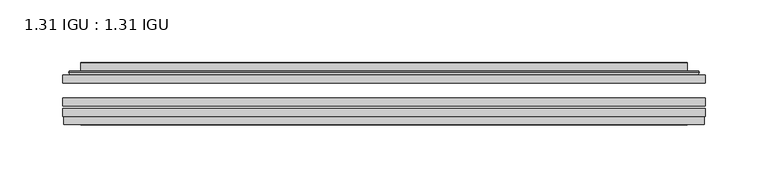
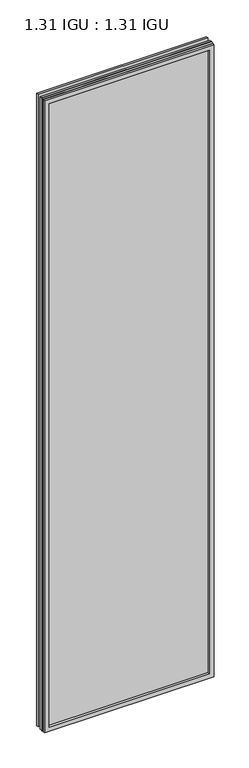
"""IFC4 building model written with IfcOpenShell, lengths in millimetres: plate geometry, 1.31 IGU : 1.31 IGU."""

from ifc_helpers import new_model, si_unit, frame, origin, place, context, project, spatial, polyline, ellipse_curve, outline, extrude, faceted_brep, source, transform, mapped, element, save
from ifc_brep_helpers import plane_surface, cylinder_surface, advanced_brep


def plate_1_31_igu_1_31_igu_82ba9584(model_context):
    return source(origin(), model_context, "Body", "SolidModel", [
        extrude(outline(polyline([(255.601675, -63.59525), (255.601675, -69.94525), (-255.5875, -69.94525), (-255.5875, -63.59525), (255.601675, -63.59525)])), frame((0.0, 0.0, -14.2875), z_axis=(0.0, 0.0, 1.0), x_axis=(1.0, 0.0, 0.0)), (0.0, 0.0, 1.0), 2009.8015278),
        extrude(outline(polyline([(-255.5875, -78.58125), (-255.5875, -72.230745), (255.601675, -72.230745), (255.601675, -78.58125), (-255.5875, -78.58125)])), frame((0.0, 0.0, -14.2875), z_axis=(0.0, 0.0, 1.0), x_axis=(1.0, 0.0, 0.0)), (0.0, 0.0, 1.0), 2009.8015278),
        extrude(outline(polyline([(255.601675, -45.25645), (255.601675, -51.60645), (-255.5875, -51.60645), (-255.5875, -45.25645), (255.601675, -45.25645)])), frame((0.0, 0.0, -14.2875), z_axis=(0.0, 0.0, 1.0), x_axis=(1.0, 0.0, 0.0)), (0.0, 0.0, 1.0), 2009.8015278),
        faceted_brep([(-254.8873142, -84.93125, 1994.8100441), (-254.8873142, -78.58125, 1994.8100441), (-254.8873142, -78.58125, -13.5873142), (-254.8873142, -84.93125, -13.5873142), (254.8873142, -78.58125, -13.5873142), (254.8873142, -84.93125, -13.5873142), (254.8873142, -78.58125, 1994.8100441), (254.8873142, -84.93125, 1994.8100441), (-240.4022559, -78.58125, 0.8977441), (240.4022559, -78.58125, 0.8977441), (240.4022559, -78.58125, 1980.3249858), (-240.4022559, -78.58125, 1980.3249858), (-241.2946902, -84.93125, 1981.2174201), (241.2946902, -84.93125, 1981.2174201), (241.2946902, -84.93125, 0.0053098), (-241.2946902, -84.93125, 0.0053098)], [[[0, 1, 2, 3]], [[3, 2, 4, 5]], [[5, 4, 6, 7]], [[1, 6, 4, 2], [8, 9, 10, 11]], [[7, 6, 1, 0]], [[3, 5, 7, 0], [12, 13, 14, 15]], [[11, 12, 15, 8]], [[8, 15, 14, 9]], [[9, 14, 13, 10]], [[10, 13, 12, 11]]]),
        advanced_brep(
        [(-248.346219, -45.25645, 1988.2689489), (-250.7004244, -43.2667833, 1990.6231543), (-250.7004244, -43.2667833, -9.4004244), (-248.346219, -45.25645, -7.046219), (-239.2718939, -41.416413, 1979.1946238), (-234.3370621, -45.25645, 1974.2597919), (-234.3370621, -45.25645, 6.9629379), (-239.2718939, -41.416413, 2.0281061), (-240.3039217, -36.0191819, 1980.2266515), (-240.3039217, -36.0191819, 0.9960783), (-241.2945784, -35.6202069, 1981.2173083), (-241.2945784, -35.6202069, 0.0054216), (-241.2945784, -42.08145, 1981.2173083), (-241.2945784, -42.08145, 0.0054216), (-249.6986349, -42.08145, 1989.6213648), (-249.6986349, -42.08145, -8.3986349), (250.7004244, -43.2667833, -9.4004244), (248.346219, -45.25645, -7.046219), (234.3370621, -45.25645, 6.9629379), (239.2718939, -41.416413, 2.0281061), (240.3039217, -36.0191819, 0.9960783), (241.2945784, -35.6202069, 0.0054216), (241.2945784, -42.08145, 0.0054216), (249.6986349, -42.08145, -8.3986349), (250.7004244, -43.2667833, 1990.6231543), (248.346219, -45.25645, 1988.2689489), (234.3370621, -45.25645, 1974.2597919), (239.2718939, -41.416413, 1979.1946238), (240.3039217, -36.0191819, 1980.2266515), (241.2945784, -35.6202069, 1981.2173083), (241.2945784, -42.08145, 1981.2173083), (249.6986349, -42.08145, 1989.6213648)],
        [
            (0, 1, ellipse_curve(frame((-248.346219, -42.86885, 1988.2689489), z_axis=(-0.7071067811865475, 0.0, -0.7071067811865475), x_axis=(-0.7071067811865474, 0.0, 0.7071067811865476)), 3.3765763, 2.3876)),
            (1, 2),
            (2, 3, ellipse_curve(frame((-248.346219, -42.86885, -7.046219), z_axis=(-0.7071067811865475, 0.0, 0.7071067811865475), x_axis=(0.7071067811865474, 0.0, 0.7071067811865476)), 3.3765763, 2.3876)),
            (3, 0),
            (4, 5),
            (5, 6),
            (6, 7),
            (7, 4),
            (8, 4),
            (7, 9),
            (9, 8),
            (10, 8, ellipse_curve(frame((-240.9276219, -36.1384423, 1980.8503517), z_axis=(-0.7071067811865475, 0.0, -0.7071067811865475), x_axis=(-0.7071067811865474, 0.0, 0.7071067811865476)), 0.8980256, 0.635)),
            (9, 11, ellipse_curve(frame((-240.9276219, -36.1384423, 0.3723781), z_axis=(-0.7071067811865475, 0.0, 0.7071067811865475), x_axis=(0.7071067811865474, 0.0, 0.7071067811865476)), 0.8980256, 0.635)),
            (11, 10),
            (12, 10),
            (11, 13),
            (13, 12),
            (1, 14, ellipse_curve(frame((-249.6986349, -43.09745, 1989.6213648), z_axis=(-0.7071067811865475, 0.0, -0.7071067811865475), x_axis=(-0.7071067811865474, 0.0, 0.7071067811865476)), 1.436841, 1.016)),
            (14, 15),
            (15, 2, ellipse_curve(frame((-249.6986349, -43.09745, -8.3986349), z_axis=(-0.7071067811865475, 0.0, 0.7071067811865475), x_axis=(0.7071067811865474, 0.0, 0.7071067811865476)), 1.436841, 1.016)),
            (2, 16),
            (16, 17, ellipse_curve(frame((248.346219, -42.86885, -7.046219), z_axis=(-0.7071067811865475, 0.0, -0.7071067811865475), x_axis=(-0.7071067811865476, 0.0, 0.7071067811865474)), 3.3765763, 2.3876)),
            (17, 3),
            (6, 18),
            (18, 19),
            (19, 7),
            (19, 20),
            (20, 9),
            (20, 21, ellipse_curve(frame((240.9276219, -36.1384423, 0.3723781), z_axis=(-0.7071067811865475, 0.0, -0.7071067811865475), x_axis=(-0.7071067811865476, 0.0, 0.7071067811865474)), 0.8980256, 0.635)),
            (21, 11),
            (21, 22),
            (22, 13),
            (15, 23),
            (23, 16, ellipse_curve(frame((249.6986349, -43.09745, -8.3986349), z_axis=(-0.7071067811865475, 0.0, -0.7071067811865475), x_axis=(-0.7071067811865476, 0.0, 0.7071067811865474)), 1.436841, 1.016)),
            (16, 24),
            (24, 25, ellipse_curve(frame((248.346219, -42.86885, 1988.2689489), z_axis=(0.7071067811865475, 0.0, -0.7071067811865475), x_axis=(-0.7071067811865474, 0.0, -0.7071067811865476)), 3.3765763, 2.3876)),
            (25, 17),
            (18, 26),
            (26, 27),
            (27, 19),
            (27, 28),
            (28, 20),
            (28, 29, ellipse_curve(frame((240.9276219, -36.1384423, 1980.8503517), z_axis=(0.7071067811865475, 0.0, -0.7071067811865475), x_axis=(-0.7071067811865474, 0.0, -0.7071067811865476)), 0.8980256, 0.635)),
            (29, 21),
            (29, 30),
            (30, 22),
            (23, 31),
            (31, 24, ellipse_curve(frame((249.6986349, -43.09745, 1989.6213648), z_axis=(0.7071067811865475, 0.0, -0.7071067811865475), x_axis=(-0.7071067811865474, 0.0, -0.7071067811865476)), 1.436841, 1.016)),
            (24, 1),
            (0, 25),
            (5, 26),
            (4, 27),
            (8, 28),
            (10, 29),
            (12, 30),
            (14, 31),
        ],
        [
            cylinder_surface(frame((-248.346219, -42.86885, 2012.9727299), z_axis=(0.0, 0.0, 1.0), x_axis=(-1.0, 0.0, 0.0)), 2.3876),
            plane_surface(frame((-234.3370621, -45.25645, 1974.2597919), z_axis=(0.6141233906514794, 0.7892100234124821, 0.0), x_axis=(0.0, 0.0, -1.0))),
            plane_surface(frame((-239.2718939, -41.416413, 1979.1946238), z_axis=(0.9822050625507729, 0.18781164793386076, 0.0), x_axis=(0.0, 0.0, -1.0))),
            cylinder_surface(frame((-240.9276219, -36.1384423, 2012.9727299), z_axis=(0.0, 0.0, 1.0), x_axis=(-1.0, 0.0, 0.0)), 0.635),
            plane_surface(frame((-241.2945784, -35.6202069, 1981.2173083), z_axis=(-1.0, 0.0, 0.0), x_axis=(0.0, 0.0, -1.0))),
            cylinder_surface(frame((-249.6986349, -43.09745, 2012.9727299), z_axis=(0.0, 0.0, 1.0), x_axis=(-1.0, 0.0, 0.0)), 1.016),
            cylinder_surface(frame((-273.05, -42.86885, -7.046219), z_axis=(-1.0, 0.0, 0.0), x_axis=(0.0, 0.0, -1.0)), 2.3876),
            plane_surface(frame((-234.3370621, -45.25645, 6.9629379), z_axis=(0.0, 0.7892100234124841, 0.6141233906514768), x_axis=(1.0, 0.0, 0.0))),
            plane_surface(frame((-239.2718939, -41.416413, 2.0281061), z_axis=(0.0, 0.18781164793386393, 0.9822050625507723), x_axis=(1.0, 0.0, 0.0))),
            cylinder_surface(frame((-273.05, -36.1384423, 0.3723781), z_axis=(-1.0, 0.0, 0.0), x_axis=(0.0, 0.0, -1.0)), 0.635),
            plane_surface(frame((-241.2945784, -35.6202069, 0.0054216), z_axis=(0.0, 0.0, -1.0), x_axis=(1.0, 0.0, 0.0))),
            cylinder_surface(frame((-273.05, -43.09745, -8.3986349), z_axis=(-1.0, 0.0, 0.0), x_axis=(0.0, 0.0, -1.0)), 1.016),
            cylinder_surface(frame((248.346219, -42.86885, -31.75), z_axis=(0.0, 0.0, -1.0), x_axis=(1.0, 0.0, 0.0)), 2.3876),
            plane_surface(frame((234.3370621, -45.25645, 6.9629379), z_axis=(-0.6141233906514743, 0.7892100234124861, 0.0), x_axis=(0.0, 0.0, 1.0))),
            plane_surface(frame((239.2718939, -41.416413, 2.0281061), z_axis=(-0.9822050625507718, 0.1878116479338671, 0.0), x_axis=(0.0, 0.0, 1.0))),
            cylinder_surface(frame((240.9276219, -36.1384423, -31.75), z_axis=(0.0, 0.0, -1.0), x_axis=(1.0, 0.0, 0.0)), 0.635),
            plane_surface(frame((241.2945784, -35.6202069, 0.0054216), z_axis=(1.0, 0.0, 0.0), x_axis=(0.0, 0.0, 1.0))),
            cylinder_surface(frame((249.6986349, -43.09745, -31.75), z_axis=(0.0, 0.0, -1.0), x_axis=(1.0, 0.0, 0.0)), 1.016),
            cylinder_surface(frame((273.05, -42.86885, 1988.2689489), z_axis=(1.0, 0.0, 0.0), x_axis=(0.0, 0.0, 1.0)), 2.3876),
            plane_surface(frame((248.346219, -45.25645, 1988.2689489), z_axis=(0.0, -1.0, 0.0), x_axis=(-1.0, 0.0, 0.0))),
            plane_surface(frame((234.3370621, -45.25645, 1974.2597919), z_axis=(0.0, 0.7892100234124841, -0.6141233906514768), x_axis=(-1.0, 0.0, 0.0))),
            plane_surface(frame((239.2718939, -41.416413, 1979.1946238), z_axis=(0.0, 0.18781164793386393, -0.9822050625507723), x_axis=(-1.0, 0.0, 0.0))),
            cylinder_surface(frame((273.05, -36.1384423, 1980.8503517), z_axis=(1.0, 0.0, 0.0), x_axis=(0.0, 0.0, 1.0)), 0.635),
            plane_surface(frame((241.2945784, -35.6202069, 1981.2173083), z_axis=(0.0, 0.0, 1.0), x_axis=(-1.0, 0.0, 0.0))),
            plane_surface(frame((241.2945784, -42.08145, 1981.2173083), z_axis=(0.0, 1.0, 0.0), x_axis=(-1.0, 0.0, 0.0))),
            cylinder_surface(frame((273.05, -43.09745, 1989.6213648), z_axis=(1.0, 0.0, 0.0), x_axis=(0.0, 0.0, 1.0)), 1.016),
        ],
        [
            (0, [[1, 2, 3, 4]]),
            (1, [[5, 6, 7, 8]]),
            (2, [[9, -8, 10, 11]]),
            (3, [[12, -11, 13, 14]]),
            (4, [[15, -14, 16, 17]]),
            (5, [[18, 19, 20, -2]]),
            (6, [[-3, 21, 22, 23]]),
            (7, [[-7, 24, 25, 26]]),
            (8, [[-10, -26, 27, 28]]),
            (9, [[-13, -28, 29, 30]]),
            (10, [[-16, -30, 31, 32]]),
            (11, [[-20, 33, 34, -21]]),
            (12, [[-22, 35, 36, 37]]),
            (13, [[-25, 38, 39, 40]]),
            (14, [[-27, -40, 41, 42]]),
            (15, [[-29, -42, 43, 44]]),
            (16, [[-31, -44, 45, 46]]),
            (17, [[-34, 47, 48, -35]]),
            (18, [[-36, 49, -1, 50]]),
            (19, [[-23, -37, -50, -4], [51, -38, -24, -6]]),
            (20, [[-39, -51, -5, 52]]),
            (21, [[-41, -52, -9, 53]]),
            (22, [[-43, -53, -12, 54]]),
            (23, [[-45, -54, -15, 55]]),
            (24, [[56, -47, -33, -19], [-32, -46, -55, -17]]),
            (25, [[-48, -56, -18, -49]]),
        ],
    ),
    ])


if __name__ == "__main__":
    model = new_model("IFC4")
    model_context = context("Model", 3, world=origin())
    ifc_project = project(units=[si_unit("LENGTHUNIT", "METRE", prefix="MILLI")], contexts=[model_context])
    site = spatial("IfcSite", under=ifc_project)
    building = spatial("IfcBuilding", under=site)
    placement = place(None, origin())
    plate_1_31_igu_1_31_igu_shape = plate_1_31_igu_1_31_igu_82ba9584(model_context)
    element("IfcPlate", 1, ObjectType="1.31 IGU : 1.31 IGU", at=placement, inside=building, context=model_context, shape_type="MappedRepresentation", body=[
        mapped(plate_1_31_igu_1_31_igu_shape, transform((0.0, 0.0, 0.0), x_axis=(1.0, 0.0, 0.0), y_axis=(0.0, 1.0, 0.0), z_axis=(0.0, 0.0, 1.0))),
    ])
    save(model, "model.ifc")
